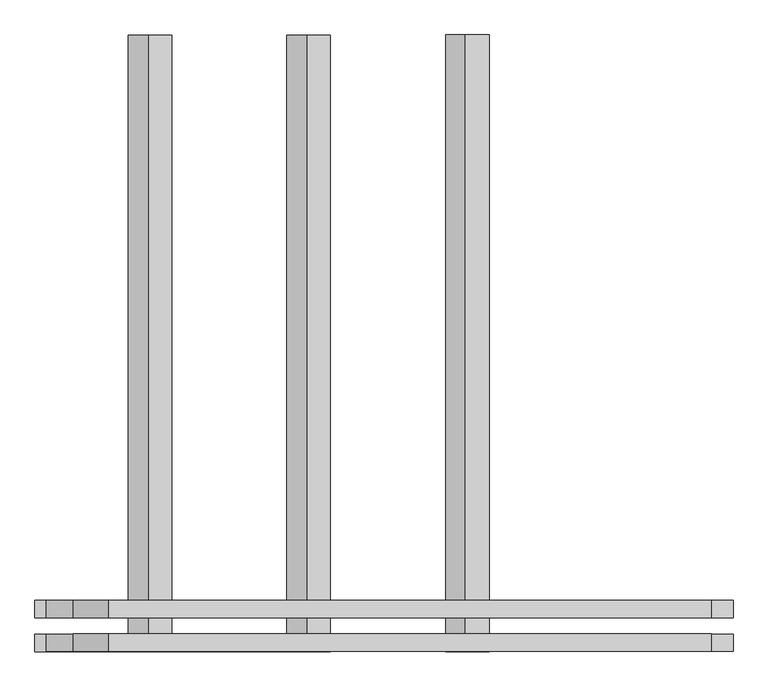
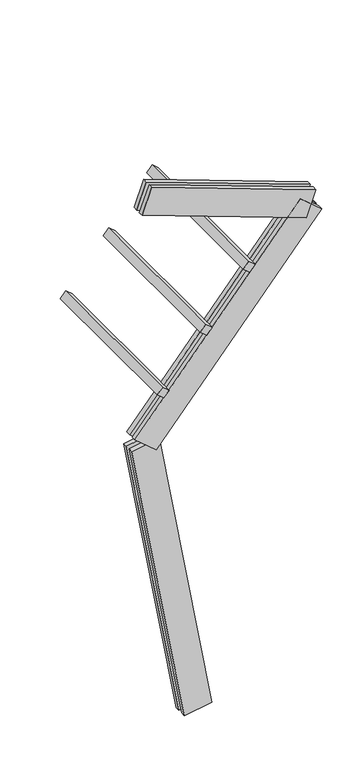
"""IFC4 building model written with IfcOpenShell, lengths in millimetres: proxy geometry."""

from ifc_helpers import new_model, si_unit, frame, origin, place, context, project, spatial, polyline, outline, extrude, source, transform, mapped, element, save


def generic_models_6c39d47e(model_context):
    return source(origin(), model_context, "Body", "SweptSolid", [
        extrude(outline(polyline([(0.0, 1500.0), (75.0, 1500.0), (75.0, 0.0), (0.0, 0.0), (0.0, 1500.0)])), frame((-364.9439244, -62.5, 3093.9562323), z_axis=(0.64278760968654, 0.0, 0.7660444431189776), x_axis=(0.7660444431189776, 0.0, -0.64278760968654)), (0.0, 0.0, 1.0), 75.0),
        extrude(outline(polyline([(0.0, 1500.0), (75.0, 1500.0), (75.0, 0.0), (0.0, 0.0), (0.0, 1500.0)])), frame((20.7286414, -62.5, 3553.5828982), z_axis=(0.64278760968654, 0.0, 0.7660444431189776), x_axis=(0.7660444431189776, 0.0, -0.64278760968654)), (0.0, 0.0, 1.0), 75.0),
        extrude(outline(polyline([(0.0, 1500.0), (75.0, 1500.0), (75.0, 0.0), (0.0, 0.0), (0.0, 1500.0)])), frame((406.4012072, -62.5, 4013.2095641), z_axis=(0.64278760968654, 0.0, 0.7660444431189776), x_axis=(0.7660444431189776, 0.0, -0.64278760968654)), (0.0, 0.0, 1.0), 75.0),
        extrude(outline(polyline([(1560.0000001, 125.0), (1560.0000001, 82.5), (0.0, 82.5), (0.0, 125.0), (1560.0000001, 125.0)])), frame((966.8089047, 62.5, 4303.4215747), z_axis=(0.34202014332567116, 0.0, 0.9396926207859075), x_axis=(-0.9396926207859075, 0.0, 0.34202014332567116)), (0.0, 0.0, 1.0), 250.0),
        extrude(outline(polyline([(0.0, 0.0), (0.0, 42.5), (1560.0000001, 42.5), (1560.0000001, 0.0), (0.0, 0.0)])), frame((966.8089047, 62.5, 4303.4215747), z_axis=(0.34202014332567116, 0.0, 0.9396926207859075), x_axis=(-0.9396926207859075, 0.0, 0.34202014332567116)), (0.0, 0.0, 1.0), 250.0),
        extrude(outline(polyline([(-125.0, 250.0), (-82.5, 250.0), (-82.5, 0.0), (-125.0, 0.0), (-125.0, 250.0)])), frame((-373.0945243, 62.5, 2578.6324819), z_axis=(0.64278760968654, 0.0, 0.7660444431189776), x_axis=(0.0, 1.0, 0.0)), (0.0, 0.0, 1.0), 2300.0),
        extrude(outline(polyline([(0.0, 0.0), (-42.5, 0.0), (-42.5, 250.0), (0.0, 250.0), (0.0, 0.0)])), frame((-373.0945243, 62.5, 2578.6324819), z_axis=(0.64278760968654, 0.0, 0.7660444431189776), x_axis=(0.0, 1.0, 0.0)), (0.0, 0.0, 1.0), 2300.0),
        extrude(outline(polyline([(-125.0, 249.9999999), (-82.5, 249.9999999), (-82.5, 0.0), (-125.0, 0.0), (-125.0, 249.9999999)])), frame((123.1009691, 62.5, 21.7060222), z_axis=(-0.17364817766693158, 0.0, 0.9848077530122079), x_axis=(0.0, 1.0, 0.0)), (0.0, 0.0, 1.0), 2700.0),
        extrude(outline(polyline([(0.0, 0.0), (-42.5, 0.0), (-42.5, 249.9999999), (0.0, 249.9999999), (0.0, 0.0)])), frame((123.1009691, 62.5, 21.7060222), z_axis=(-0.17364817766693158, 0.0, 0.9848077530122079), x_axis=(0.0, 1.0, 0.0)), (0.0, 0.0, 1.0), 2700.0),
    ])


if __name__ == "__main__":
    model = new_model("IFC4")
    model_context = context("Model", 3, world=origin())
    ifc_project = project(units=[si_unit("LENGTHUNIT", "METRE", prefix="MILLI")], contexts=[model_context])
    site = spatial("IfcSite", under=ifc_project)
    building = spatial("IfcBuilding", under=site)
    placement = place(None, origin())
    generic_models_shape = generic_models_6c39d47e(model_context)
    element("IfcBuildingElementProxy", 1, Name="Generic Models", at=placement, inside=building, context=model_context, shape_type="MappedRepresentation", body=[
        mapped(generic_models_shape, transform((0.0, 0.0, 0.0), x_axis=(1.0, 0.0, 0.0), y_axis=(0.0, 1.0, 0.0), z_axis=(0.0, 0.0, 1.0))),
    ])
    save(model, "model.ifc")
